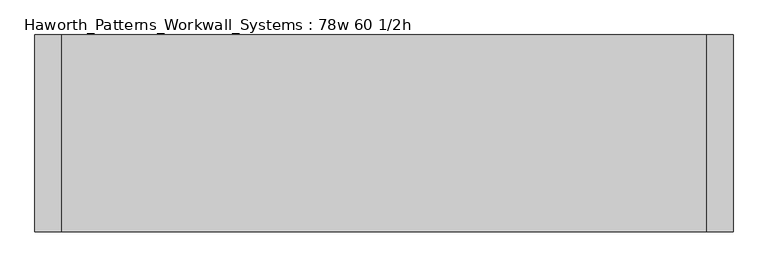
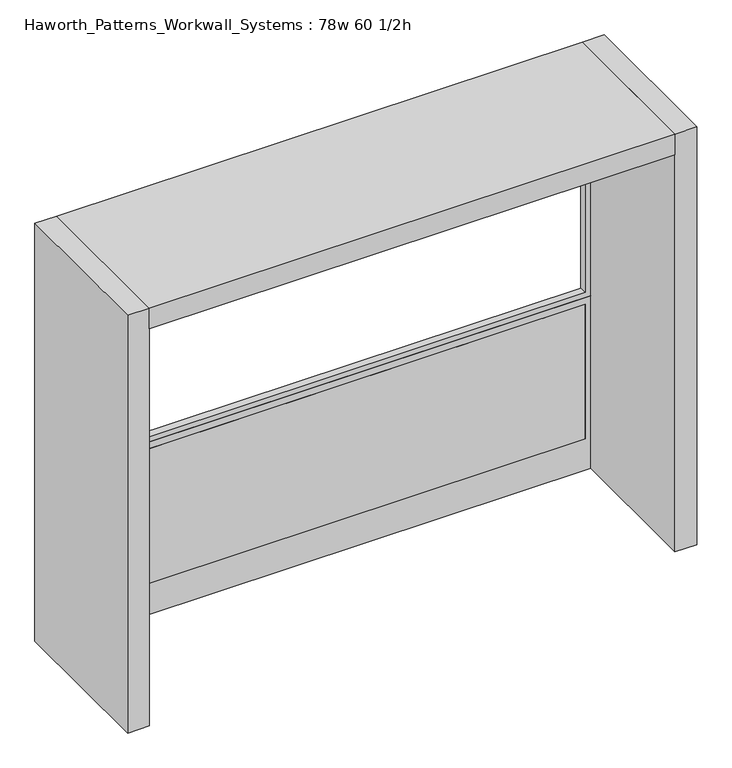
"""IFC4 building model written with IfcOpenShell, lengths in millimetres: furniture geometry, Haworth_Patterns_Workwall_Systems : 78w 60 1/2h."""

from ifc_helpers import new_model, si_unit, frame, origin, origin_with_axes, place, context, project, spatial, polyline, outline, extrude, source, transform, mapped, element, save


def haworth_patterns_workwall_systems_78w_60_1_2h_bd5b5dea(model_context):
    return source(origin(), model_context, "Body", "SweptSolid", [
        extrude(outline(polyline([(1460.5, 304.8), (1460.5, -1524.0), (635.0, -1524.0), (635.0, 304.8), (1460.5, 304.8)]), holes=[polyline([(1441.45, 285.75), (654.05, 285.75), (654.05, -1504.95), (1441.45, -1504.95), (1441.45, 285.75)])]), frame((0.0, 330.2, 0.0), z_axis=(0.0, 1.0, 0.0), x_axis=(0.0, 0.0, 1.0)), (0.0, 0.0, 1.0), 25.4),
        extrude(outline(polyline([(285.75, 330.2), (-1504.95, 330.2), (-1504.95, 355.6), (285.75, 355.6), (285.75, 330.2)])), frame((0.0, 0.0, 114.3), z_axis=(0.0, 0.0, 1.0), x_axis=(1.0, 0.0, 0.0)), (0.0, 0.0, 1.0), 495.3),
        extrude(outline(polyline([(635.0, 304.8), (635.0, -1524.0), (0.0, -1524.0), (0.0, 304.8), (635.0, 304.8)]), holes=[polyline([(609.6, 285.75), (114.3, 285.75), (114.3, -1504.95), (609.6, -1504.95), (609.6, 285.75)])]), frame((0.0, 330.2, 0.0), z_axis=(0.0, 1.0, 0.0), x_axis=(0.0, 0.0, 1.0)), (0.0, 0.0, 1.0), 25.4),
        extrude(outline(polyline([(304.8, -177.8), (-1524.0, -177.8), (-1524.0, 381.0), (304.8, 381.0), (304.8, -177.8)])), frame((0.0, 0.0, 1460.5), z_axis=(0.0, 0.0, 1.0), x_axis=(1.0, 0.0, 0.0)), (0.0, 0.0, 1.0), 76.2),
        extrude(outline(polyline([(381.0, 381.0), (381.0, -177.8), (304.8, -177.8), (304.8, 381.0), (381.0, 381.0)])), origin_with_axes(), (0.0, 0.0, 1.0), 1536.7),
        extrude(outline(polyline([(-1524.0, 381.0), (-1524.0, -177.8), (-1600.2, -177.8), (-1600.2, 381.0), (-1524.0, 381.0)])), origin_with_axes(), (0.0, 0.0, 1.0), 1536.7),
    ])


if __name__ == "__main__":
    model = new_model("IFC4")
    model_context = context("Model", 3, world=origin())
    ifc_project = project(units=[si_unit("LENGTHUNIT", "METRE", prefix="MILLI")], contexts=[model_context])
    site = spatial("IfcSite", under=ifc_project)
    building = spatial("IfcBuilding", under=site)
    placement = place(None, origin())
    haworth_patterns_workwall_systems_78w_60_1_2h_shape = haworth_patterns_workwall_systems_78w_60_1_2h_bd5b5dea(model_context)
    element("IfcFurniture", 1, ObjectType="Haworth_Patterns_Workwall_Systems : 78w 60 1/2h", at=placement, inside=building, context=model_context, shape_type="MappedRepresentation", body=[
        mapped(haworth_patterns_workwall_systems_78w_60_1_2h_shape, transform((0.0, 0.0, 0.0), x_axis=(1.0, 0.0, 0.0), y_axis=(0.0, 1.0, 0.0), z_axis=(0.0, 0.0, 1.0))),
    ])
    save(model, "model.ifc")
